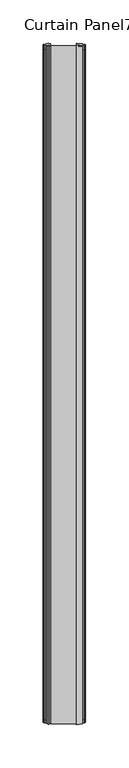
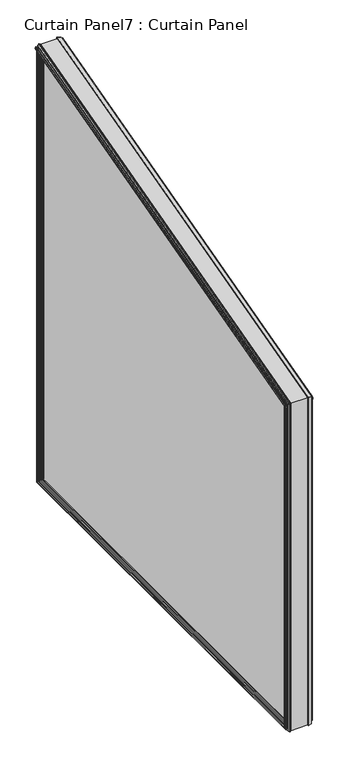
"""IFC4 building model written with IfcOpenShell, lengths in millimetres: plate geometry, Curtain Panel7 : Curtain Panel."""

from ifc_helpers import new_model, si_unit, point, frame, frame_2d, origin, place, context, project, spatial, polyline, circle_curve, ellipse_curve, trimmed, segment, composite_curve, outline, extrude, faceted_brep, source, transform, mapped, element, save
from ifc_brep_helpers import plane_surface, cylinder_surface, advanced_brep


def curtain_panel7_curtain_panel_55db41a2(model_context):
    return source(origin(), model_context, "Body", "SolidModel", [
        faceted_brep([(-5193.7800642, 3507.7643026, 2285.469604), (-5187.0490642, 3506.5718026, 2286.3846415), (-5187.0490642, 3506.5718026, 1683.2050806), (-5193.7800642, 3507.7643026, 1684.3975806), (-5187.0490642, 3495.4466026, 2294.9213077), (-5193.7800642, 3494.2541026, 2295.8363451), (-5193.7800642, 3494.2541026, 1670.8873806), (-5187.0490642, 3495.4466026, 1672.0798806), (-5184.3312642, 3500.2218026, 2291.2571679), (-5187.0490642, 3499.7392026, 2291.6274799), (-5187.0490642, 3499.7392026, 1676.3724806), (-5184.3312642, 3500.2218026, 1676.8550806), (-5184.5852642, 3498.6724026, 2292.4460643), (-5184.5852642, 3498.6724026, 1675.3056806), (-5183.7724642, 3498.6724026, 2292.4460643), (-5183.7724642, 3498.6724026, 1675.3056806), (-5183.3660642, 3501.0092026, 2290.6529746), (-5183.3660642, 3501.0092026, 1677.6424806), (-5183.7724642, 3503.3460026, 2288.8598849), (-5183.7724642, 3503.3460026, 1679.9792806), (-5184.5852642, 3503.3460026, 2288.8598849), (-5184.5852642, 3503.3460026, 1679.9792806), (-5184.3312642, 3501.7966026, 2290.0487813), (-5184.3312642, 3501.7966026, 1678.4298806), (-5187.0490642, 3502.2792026, 2289.6784693), (-5187.0490642, 3502.2792026, 1678.9124806), (-5187.0490642, 4266.8822036, 1683.2050806), (-5193.7800642, 4265.6897036, 1684.3975806), (-5193.7800642, 4279.1999036, 1670.8873806), (-5187.0490642, 4278.0074036, 1672.0798806), (-5187.0490642, 4273.7148036, 1676.3724806), (-5184.3312642, 4273.2322036, 1676.8550806), (-5184.5852642, 4274.7816036, 1675.3056806), (-5183.7724642, 4274.7816036, 1675.3056806), (-5183.3660642, 4272.4448036, 1677.6424806), (-5183.7724642, 4270.1080036, 1679.9792806), (-5184.5852642, 4270.1080036, 1679.9792806), (-5184.3312642, 4271.6574036, 1678.4298806), (-5187.0490642, 4271.1748036, 1678.9124806), (-5187.0490642, 4266.8822036, 2490.1091994), (-5193.7800642, 4265.6897036, 2488.5551032), (-5193.7800642, 4279.1999036, 2506.1619386), (-5187.0490642, 4278.0074036, 2504.6078424), (-5187.0490642, 4273.7148036, 2499.0136171), (-5184.3312642, 4273.2322036, 2498.3846806), (-5184.5852642, 4274.7816036, 2500.4038979), (-5183.7724642, 4274.7816036, 2500.4038979), (-5183.3660642, 4272.4448036, 2497.3585209), (-5183.7724642, 4270.1080036, 2494.3131438), (-5184.5852642, 4270.1080036, 2494.3131438), (-5184.3312642, 4271.6574036, 2496.3323612), (-5187.0490642, 4271.1748036, 2495.7034247)], [[[0, 1, 2, 3]], [[4, 5, 6, 7]], [[8, 9, 10, 11]], [[12, 8, 11, 13]], [[14, 12, 13, 15]], [[16, 14, 15, 17]], [[18, 16, 17, 19]], [[20, 18, 19, 21]], [[22, 20, 21, 23]], [[24, 22, 23, 25]], [[3, 2, 26, 27]], [[7, 6, 28, 29]], [[11, 10, 30, 31]], [[13, 11, 31, 32]], [[15, 13, 32, 33]], [[17, 15, 33, 34]], [[19, 17, 34, 35]], [[21, 19, 35, 36]], [[23, 21, 36, 37]], [[25, 23, 37, 38]], [[27, 26, 39, 40]], [[29, 28, 41, 42]], [[31, 30, 43, 44]], [[32, 31, 44, 45]], [[33, 32, 45, 46]], [[34, 33, 46, 47]], [[35, 34, 47, 48]], [[36, 35, 48, 49]], [[37, 36, 49, 50]], [[38, 37, 50, 51]], [[40, 39, 1, 0]], [[5, 41, 28, 6], [3, 27, 40, 0]], [[42, 41, 5, 4]], [[7, 29, 42, 4], [9, 43, 30, 10]], [[44, 43, 9, 8]], [[45, 44, 8, 12]], [[46, 45, 12, 14]], [[47, 46, 14, 16]], [[48, 47, 16, 18]], [[49, 48, 18, 20]], [[50, 49, 20, 22]], [[51, 50, 22, 24]], [[25, 38, 51, 24], [1, 39, 26, 2]]]),
        advanced_brep(
        [(-5225.6573297, 3505.5054121, 2287.2029117), (-5223.9425642, 3505.1431377, 2287.4808946), (-5223.9425642, 3505.1431377, 1681.7764157), (-5225.6573297, 3505.5054121, 1682.1386901), (-5226.977533, 3505.5450512, 2287.1724955), (-5226.977533, 3505.5450512, 1682.1783293), (-5228.6923642, 3505.1431377, 2287.4808946), (-5228.6923642, 3505.1431377, 1681.7764157), (-5231.4101642, 3501.1553377, 2290.5408412), (-5228.6923642, 3501.6379377, 2290.1705292), (-5228.6923642, 3501.6379377, 1678.2712157), (-5231.4101642, 3501.1553377, 1677.7886157), (-5231.1561642, 3502.7047377, 2289.3519448), (-5231.1561642, 3502.7047377, 1679.3380157), (-5231.9689642, 3502.7047377, 2289.3519448), (-5231.9689642, 3502.7047377, 1679.3380157), (-5232.3753642, 3500.3679377, 2291.1450345), (-5232.3753642, 3500.3679377, 1677.0012157), (-5231.9689642, 3498.0311377, 2292.9381242), (-5231.9689642, 3498.0311377, 1674.6644157), (-5231.1561642, 3498.0311377, 2292.9381242), (-5231.1561642, 3498.0311377, 1674.6644157), (-5231.4101642, 3499.5805377, 2291.7492277), (-5231.4101642, 3499.5805377, 1676.2138157), (-5228.6923642, 3499.0979377, 2292.1195397), (-5228.6923642, 3499.0979377, 1675.7312157), (-5226.977533, 3495.1908241, 2295.1175734), (-5228.6923642, 3495.5927377, 2294.8091743), (-5228.6923642, 3495.5927377, 1672.2260157), (-5226.977533, 3495.1908241, 1671.8241021), (-5225.6573297, 3495.2304633, 2295.0871572), (-5225.6573297, 3495.2304633, 1671.8637413), (-5223.9425642, 3495.5927377, 2294.8091743), (-5223.9425642, 3495.5927377, 1672.2260157), (-5223.9425642, 4268.3108685, 1681.7764157), (-5225.6573297, 4267.9485941, 1682.1386901), (-5226.977533, 4267.908955, 1682.1783293), (-5228.6923642, 4268.3108685, 1681.7764157), (-5228.6923642, 4271.8160685, 1678.2712157), (-5231.4101642, 4272.2986685, 1677.7886157), (-5231.1561642, 4270.7492685, 1679.3380157), (-5231.9689642, 4270.7492685, 1679.3380157), (-5232.3753642, 4273.0860685, 1677.0012157), (-5231.9689642, 4275.4228685, 1674.6644157), (-5231.1561642, 4275.4228685, 1674.6644157), (-5231.4101642, 4273.8734685, 1676.2138157), (-5228.6923642, 4274.3560685, 1675.7312157), (-5228.6923642, 4277.8612685, 1672.2260157), (-5226.977533, 4278.2631821, 1671.8241021), (-5225.6573297, 4278.2235429, 1671.8637413), (-5223.9425642, 4277.8612685, 1672.2260157), (-5223.9425642, 4268.3108685, 2491.9710718), (-5225.6573297, 4267.9485941, 2491.4989466), (-5226.977533, 4267.908955, 2491.4472878), (-5228.6923642, 4268.3108685, 2491.9710718), (-5228.6923642, 4271.8160685, 2496.5391374), (-5231.4101642, 4272.2986685, 2497.1680739), (-5231.1561642, 4270.7492685, 2495.1488566), (-5231.9689642, 4270.7492685, 2495.1488566), (-5232.3753642, 4273.0860685, 2498.1942336), (-5231.9689642, 4275.4228685, 2501.2396107), (-5231.1561642, 4275.4228685, 2501.2396107), (-5231.4101642, 4273.8734685, 2499.2203933), (-5228.6923642, 4274.3560685, 2499.8493298), (-5228.6923642, 4277.8612685, 2504.4173954), (-5226.977533, 4278.2631821, 2504.9411794), (-5225.6573297, 4278.2235429, 2504.8895206), (-5223.9425642, 4277.8612685, 2504.4173954)],
        [
            (0, 1),
            (1, 2),
            (2, 3),
            (3, 0),
            (4, 0, ellipse_curve(frame((-5226.3174642, 3505.5241377, 2287.188543), z_axis=(0.0, -0.6087614290087237, -0.7933533402912328), x_axis=(0.0, -0.7933533402912328, 0.6087614290087237)), 0.832416, 0.6604)),
            (3, 5, ellipse_curve(frame((-5226.3174642, 3505.5241377, 1682.1574157), z_axis=(0.0, -0.7071067811865476, 0.7071067811865474), x_axis=(0.0, 0.7071067811865471, 0.7071067811865478)), 0.9339466, 0.6604)),
            (5, 4),
            (6, 4),
            (5, 7),
            (7, 6),
            (8, 9),
            (9, 10),
            (10, 11),
            (11, 8),
            (12, 8),
            (11, 13),
            (13, 12),
            (14, 12),
            (13, 15),
            (15, 14),
            (16, 14),
            (15, 17),
            (17, 16),
            (18, 16),
            (17, 19),
            (19, 18),
            (20, 18),
            (19, 21),
            (21, 20),
            (22, 20),
            (21, 23),
            (23, 22),
            (24, 22),
            (23, 25),
            (25, 24),
            (26, 27),
            (27, 28),
            (28, 29),
            (29, 26),
            (30, 26, ellipse_curve(frame((-5226.3174642, 3495.2117377, 2295.1015259), z_axis=(0.0, -0.6087614290087237, -0.7933533402912328), x_axis=(0.0, -0.7933533402912328, 0.6087614290087238)), 0.832416, 0.6604)),
            (29, 31, ellipse_curve(frame((-5226.3174642, 3495.2117377, 1671.8450157), z_axis=(0.0, -0.7071067811865476, 0.7071067811865474), x_axis=(0.0, 0.7071067811865472, 0.7071067811865478)), 0.9339466, 0.6604)),
            (31, 30),
            (32, 30),
            (31, 33),
            (33, 32),
            (2, 34),
            (34, 35),
            (35, 3),
            (35, 36, ellipse_curve(frame((-5226.3174642, 4267.9298685, 1682.1574157), z_axis=(0.0, -0.7071067811865474, -0.7071067811865476), x_axis=(0.0, -0.7071067811865478, 0.7071067811865471)), 0.9339466, 0.6604)),
            (36, 5),
            (36, 37),
            (37, 7),
            (10, 38),
            (38, 39),
            (39, 11),
            (39, 40),
            (40, 13),
            (40, 41),
            (41, 15),
            (41, 42),
            (42, 17),
            (42, 43),
            (43, 19),
            (43, 44),
            (44, 21),
            (44, 45),
            (45, 23),
            (45, 46),
            (46, 25),
            (28, 47),
            (47, 48),
            (48, 29),
            (48, 49, ellipse_curve(frame((-5226.3174642, 4278.2422685, 1671.8450157), z_axis=(0.0, -0.7071067811865474, -0.7071067811865476), x_axis=(0.0, -0.7071067811865478, 0.7071067811865472)), 0.9339466, 0.6604)),
            (49, 31),
            (49, 50),
            (50, 33),
            (34, 51),
            (51, 52),
            (52, 35),
            (52, 53, ellipse_curve(frame((-5226.3174642, 4267.9298685, 2491.4745429), z_axis=(0.0, 0.793353340291233, -0.6087614290087234), x_axis=(0.0, -0.6087614290087233, -0.7933533402912331)), 1.0848256, 0.6604)),
            (53, 36),
            (53, 54),
            (54, 37),
            (38, 55),
            (55, 56),
            (56, 39),
            (56, 57),
            (57, 40),
            (57, 58),
            (58, 41),
            (58, 59),
            (59, 42),
            (59, 60),
            (60, 43),
            (60, 61),
            (61, 44),
            (61, 62),
            (62, 45),
            (62, 63),
            (63, 46),
            (47, 64),
            (64, 65),
            (65, 48),
            (65, 66, ellipse_curve(frame((-5226.3174642, 4278.2422685, 2504.9139243), z_axis=(0.0, 0.793353340291233, -0.6087614290087237), x_axis=(0.0, -0.6087614290087237, -0.7933533402912327)), 1.0848256, 0.6604)),
            (66, 49),
            (66, 67),
            (67, 50),
            (51, 1),
            (0, 52),
            (4, 53),
            (6, 54),
            (9, 55),
            (8, 56),
            (12, 57),
            (14, 58),
            (16, 59),
            (18, 60),
            (20, 61),
            (22, 62),
            (24, 63),
            (27, 64),
            (26, 65),
            (30, 66),
            (32, 67),
        ],
        [
            plane_surface(frame((-5223.9425642, 3505.1431377, 2287.4808946), z_axis=(0.20670492848295857, 0.9784033281529939, 0.0), x_axis=(0.0, 0.0, -1.0))),
            cylinder_surface(frame((-5226.3174642, 3505.5241377, 2294.9086623), z_axis=(0.0, 0.0, 1.0000000000000002), x_axis=(0.999597918331525, -0.028354923157754355, 0.0)), 0.6604),
            plane_surface(frame((-5226.977533, 3505.5450512, 2287.1724955), z_axis=(-0.22819132278915794, 0.9736163105678408, 0.0), x_axis=(0.0, 0.0, -1.0))),
            plane_surface(frame((-5228.6923642, 3501.6379377, 2290.1705292), z_axis=(-0.17483511041559138, 0.9845977270773929, 0.0), x_axis=(0.0, 0.0, -1.0))),
            plane_surface(frame((-5231.4101642, 3501.1553377, 2290.5408412), z_axis=(0.9868276651054826, -0.16177502706679275, 0.0), x_axis=(0.0, 0.0, -1.0))),
            plane_surface(frame((-5231.1561642, 3502.7047377, 2289.3519448), z_axis=(0.0, 1.0, 0.0), x_axis=(0.0, 0.0, -1.0))),
            plane_surface(frame((-5231.9689642, 3502.7047377, 2289.3519448), z_axis=(-0.9852117548196891, 0.17134117475116425, 0.0), x_axis=(0.0, 0.0, -1.0))),
            plane_surface(frame((-5232.3753642, 3500.3679377, 2291.1450345), z_axis=(-0.985211754819691, -0.17134117475115318, 0.0), x_axis=(0.0, 0.0, -1.0))),
            plane_surface(frame((-5231.9689642, 3498.0311377, 2292.9381242), z_axis=(0.0, -1.0, 0.0), x_axis=(0.0, 0.0, -1.0))),
            plane_surface(frame((-5231.1561642, 3498.0311377, 2292.9381242), z_axis=(0.9868276651054818, 0.16177502706679808, 0.0), x_axis=(0.0, 0.0, -1.0))),
            plane_surface(frame((-5231.4101642, 3499.5805377, 2291.7492277), z_axis=(-0.17483511041554045, -0.9845977270774018, 0.0), x_axis=(0.0, 0.0, -1.0))),
            plane_surface(frame((-5228.6923642, 3495.5927377, 2294.8091743), z_axis=(-0.22819132278926685, -0.9736163105678154, 0.0), x_axis=(0.0, 0.0, -1.0))),
            cylinder_surface(frame((-5226.3174642, 3495.2117377, 2294.9086623), z_axis=(0.0, 0.0, 1.0000000000000002), x_axis=(-0.9994984420496631, -0.031668033413782444, 0.0)), 0.6604),
            plane_surface(frame((-5225.6573297, 3495.2304633, 2295.0871572), z_axis=(0.2067049284830436, -0.9784033281529759, 0.0), x_axis=(0.0, 0.0, -1.0))),
            plane_surface(frame((-5223.9425642, 3505.1431377, 1681.7764157), z_axis=(0.2067049284829572, 0.0, 0.9784033281529942), x_axis=(0.0, 1.0, 0.0))),
            cylinder_surface(frame((-5226.3174642, 3495.4630824, 1682.1574157), z_axis=(0.0, -1.0000000000000002, 0.0), x_axis=(0.999597918331525, 0.0, -0.02835492315775297)), 0.6604),
            plane_surface(frame((-5226.977533, 3505.5450512, 1682.1783293), z_axis=(-0.22819132278915932, 0.0, 0.9736163105678406), x_axis=(0.0, 1.0, 0.0))),
            plane_surface(frame((-5228.6923642, 3501.6379377, 1678.2712157), z_axis=(-0.17483511041559274, 0.0, 0.9845977270773926), x_axis=(0.0, 1.0, 0.0))),
            plane_surface(frame((-5231.4101642, 3501.1553377, 1677.7886157), z_axis=(0.9868276651054828, 0.0, -0.1617750270667914), x_axis=(0.0, 1.0, 0.0))),
            plane_surface(frame((-5231.1561642, 3502.7047377, 1679.3380157), z_axis=(0.0, 0.0, 1.0), x_axis=(0.0, 1.0, 0.0))),
            plane_surface(frame((-5231.9689642, 3502.7047377, 1679.3380157), z_axis=(-0.9852117548196894, 0.0, 0.1713411747511629), x_axis=(0.0, 1.0, 0.0))),
            plane_surface(frame((-5232.3753642, 3500.3679377, 1677.0012157), z_axis=(-0.9852117548196908, 0.0, -0.17134117475115454), x_axis=(0.0, 1.0, 0.0))),
            plane_surface(frame((-5231.9689642, 3498.0311377, 1674.6644157), z_axis=(0.0, 0.0, -1.0), x_axis=(0.0, 1.0, 0.0))),
            plane_surface(frame((-5231.1561642, 3498.0311377, 1674.6644157), z_axis=(0.9868276651054816, 0.0, 0.16177502706679944), x_axis=(0.0, 1.0, 0.0))),
            plane_surface(frame((-5231.4101642, 3499.5805377, 1676.2138157), z_axis=(-0.17483511041553912, 0.0, -0.9845977270774021), x_axis=(0.0, 1.0, 0.0))),
            plane_surface(frame((-5228.6923642, 3495.5927377, 1672.2260157), z_axis=(-0.2281913227892655, 0.0, -0.9736163105678157), x_axis=(0.0, 1.0, 0.0))),
            cylinder_surface(frame((-5226.3174642, 3495.4630824, 1671.8450157), z_axis=(0.0, -1.0000000000000002, 0.0), x_axis=(-0.9994984420496631, 0.0, -0.031668033413783825)), 0.6604),
            plane_surface(frame((-5225.6573297, 3495.2304633, 1671.8637413), z_axis=(0.20670492848304495, 0.0, -0.9784033281529756), x_axis=(0.0, 1.0, 0.0))),
            plane_surface(frame((-5223.9425642, 4268.3108685, 1681.7764157), z_axis=(0.20670492848295585, -0.9784033281529946, 0.0), x_axis=(0.0, 0.0, 1.0))),
            cylinder_surface(frame((-5226.3174642, 4267.9298685, 1672.0963604), z_axis=(0.0, 0.0, -1.0), x_axis=(0.999597918331525, 0.028354923157751587, 0.0)), 0.6604),
            plane_surface(frame((-5226.977533, 4267.908955, 1682.1783293), z_axis=(-0.22819132278916068, -0.9736163105678403, 0.0), x_axis=(0.0, 0.0, 1.0))),
            plane_surface(frame((-5228.6923642, 4271.8160685, 1678.2712157), z_axis=(-0.1748351104155941, -0.9845977270773923, 0.0), x_axis=(0.0, 0.0, 1.0))),
            plane_surface(frame((-5231.4101642, 4272.2986685, 1677.7886157), z_axis=(0.986827665105483, 0.16177502706679003, 0.0), x_axis=(0.0, 0.0, 1.0))),
            plane_surface(frame((-5231.1561642, 4270.7492685, 1679.3380157), z_axis=(0.0, -1.0, 0.0), x_axis=(0.0, 0.0, 1.0))),
            plane_surface(frame((-5231.9689642, 4270.7492685, 1679.3380157), z_axis=(-0.9852117548196896, -0.17134117475116153, 0.0), x_axis=(0.0, 0.0, 1.0))),
            plane_surface(frame((-5232.3753642, 4273.0860685, 1677.0012157), z_axis=(-0.9852117548196906, 0.1713411747511559, 0.0), x_axis=(0.0, 0.0, 1.0))),
            plane_surface(frame((-5231.9689642, 4275.4228685, 1674.6644157), z_axis=(0.0, 1.0, 0.0), x_axis=(0.0, 0.0, 1.0))),
            plane_surface(frame((-5231.1561642, 4275.4228685, 1674.6644157), z_axis=(0.9868276651054814, -0.1617750270668008, 0.0), x_axis=(0.0, 0.0, 1.0))),
            plane_surface(frame((-5231.4101642, 4273.8734685, 1676.2138157), z_axis=(-0.17483511041553776, 0.9845977270774023, 0.0), x_axis=(0.0, 0.0, 1.0))),
            plane_surface(frame((-5228.6923642, 4277.8612685, 1672.2260157), z_axis=(-0.22819132278926413, 0.9736163105678161, 0.0), x_axis=(0.0, 0.0, 1.0))),
            cylinder_surface(frame((-5226.3174642, 4278.2422685, 1672.0963604), z_axis=(0.0, 0.0, -1.0000000000000002), x_axis=(-0.9994984420496631, 0.031668033413785206, 0.0)), 0.6604),
            plane_surface(frame((-5225.6573297, 4278.2235429, 1671.8637413), z_axis=(0.20670492848304634, 0.9784033281529754, 0.0), x_axis=(0.0, 0.0, 1.0))),
            plane_surface(frame((-5223.9425642, 4268.3108685, 2491.9710718), z_axis=(0.20670492848295755, 0.2532294151176783, -0.9450650431901576), x_axis=(0.0, -0.9659258262890704, -0.25881904510251297))),
            cylinder_surface(frame((-5226.3174642, 4280.5949165, 2494.8681323), z_axis=(0.0, 0.9659258262890704, 0.25881904510251336), x_axis=(0.999597918331525, -0.007338794135645449, 0.02738875258051581)), 0.6604),
            plane_surface(frame((-5226.977533, 4267.908955, 2491.4472878), z_axis=(-0.22819132278915885, 0.2519904437974004, -0.9404411392737575), x_axis=(0.0, -0.9659258262890704, -0.25881904510251286))),
            plane_surface(frame((-5228.6923642, 4268.3108685, 2491.9710718), z_axis=(-1.0, 0.0, 0.0), x_axis=(0.0, -0.9659258262890703, -0.25881904510251325))),
            plane_surface(frame((-5228.6923642, 4271.8160685, 2496.5391374), z_axis=(-0.17483511041559233, 0.25483264353227614, -0.9510483730895708), x_axis=(0.0, -0.9659258262890703, -0.25881904510251347))),
            plane_surface(frame((-5231.4101642, 4272.2986685, 2497.1680739), z_axis=(0.9868276651054828, -0.04187045802686154, 0.15626267669242722), x_axis=(0.0, -0.9659258262890704, -0.2588190451025131))),
            plane_surface(frame((-5231.1561642, 4270.7492685, 2495.1488566), z_axis=(0.0, 0.2588190451025131, -0.9659258262890704), x_axis=(0.0, -0.9659258262890704, -0.2588190451025131))),
            plane_surface(frame((-5231.9689642, 4270.7492685, 2495.1488566), z_axis=(-0.9852117548196893, 0.04434635923584019, -0.16550286579885698), x_axis=(0.0, -0.9659258262890704, -0.2588190451025131))),
            plane_surface(frame((-5232.3753642, 4273.0860685, 2498.1942336), z_axis=(-0.9852117548196909, -0.0443463592358352, 0.16550286579884899), x_axis=(0.0, -0.9659258262890705, -0.2588190451025127))),
            plane_surface(frame((-5231.9689642, 4275.4228685, 2501.2396107), z_axis=(0.0, -0.2588190451025133, 0.9659258262890703), x_axis=(0.0, -0.9659258262890703, -0.2588190451025133))),
            plane_surface(frame((-5231.1561642, 4275.4228685, 2501.2396107), z_axis=(0.9868276651054816, 0.041870458026860916, -0.15626267669243502), x_axis=(0.0, -0.9659258262890703, -0.2588190451025133))),
            plane_surface(frame((-5231.4101642, 4273.8734685, 2499.2203933), z_axis=(-0.17483511041553937, -0.2548326435322781, 0.9510483730895801), x_axis=(0.0, -0.9659258262890702, -0.2588190451025134))),
            plane_surface(frame((-5228.6923642, 4274.3560685, 2499.8493298), z_axis=(-1.0, 0.0, 0.0), x_axis=(0.0, -0.9659258262890704, -0.258819045102513))),
            plane_surface(frame((-5228.6923642, 4277.8612685, 2504.4173954), z_axis=(-0.2281913227892658, -0.2519904437973935, 0.9404411392737337), x_axis=(0.0, -0.9659258262890704, -0.25881904510251297))),
            cylinder_surface(frame((-5226.3174642, 4277.925871, 2504.8291458), z_axis=(0.0, 0.9659258262890703, 0.2588190451025133), x_axis=(-0.999498442049663, -0.008196290168429321, 0.03058897134215883)), 0.6604),
            plane_surface(frame((-5225.6573297, 4278.2235429, 2504.8895206), z_axis=(0.20670492848304456, -0.2532294151176742, 0.9450650431901395), x_axis=(0.0, -0.9659258262890704, -0.2588190451025131))),
            plane_surface(frame((-5223.9425642, 4273.1021839, 2498.2152356), z_axis=(1.0, 0.0, 0.0), x_axis=(0.0, -0.9659258262890703, -0.2588190451025133))),
        ],
        [
            (0, [[1, 2, 3, 4]]),
            (1, [[5, -4, 6, 7]]),
            (2, [[8, -7, 9, 10]]),
            (3, [[11, 12, 13, 14]]),
            (4, [[15, -14, 16, 17]]),
            (5, [[18, -17, 19, 20]]),
            (6, [[21, -20, 22, 23]]),
            (7, [[24, -23, 25, 26]]),
            (8, [[27, -26, 28, 29]]),
            (9, [[30, -29, 31, 32]]),
            (10, [[33, -32, 34, 35]]),
            (11, [[36, 37, 38, 39]]),
            (12, [[40, -39, 41, 42]]),
            (13, [[43, -42, 44, 45]]),
            (14, [[-3, 46, 47, 48]]),
            (15, [[-6, -48, 49, 50]]),
            (16, [[-9, -50, 51, 52]]),
            (17, [[-13, 53, 54, 55]]),
            (18, [[-16, -55, 56, 57]]),
            (19, [[-19, -57, 58, 59]]),
            (20, [[-22, -59, 60, 61]]),
            (21, [[-25, -61, 62, 63]]),
            (22, [[-28, -63, 64, 65]]),
            (23, [[-31, -65, 66, 67]]),
            (24, [[-34, -67, 68, 69]]),
            (25, [[-38, 70, 71, 72]]),
            (26, [[-41, -72, 73, 74]]),
            (27, [[-44, -74, 75, 76]]),
            (28, [[-47, 77, 78, 79]]),
            (29, [[-49, -79, 80, 81]]),
            (30, [[-51, -81, 82, 83]]),
            (31, [[-54, 84, 85, 86]]),
            (32, [[-56, -86, 87, 88]]),
            (33, [[-58, -88, 89, 90]]),
            (34, [[-60, -90, 91, 92]]),
            (35, [[-62, -92, 93, 94]]),
            (36, [[-64, -94, 95, 96]]),
            (37, [[-66, -96, 97, 98]]),
            (38, [[-68, -98, 99, 100]]),
            (39, [[-71, 101, 102, 103]]),
            (40, [[-73, -103, 104, 105]]),
            (41, [[-75, -105, 106, 107]]),
            (42, [[-78, 108, -1, 109]]),
            (43, [[-80, -109, -5, 110]]),
            (44, [[-82, -110, -8, 111]]),
            (45, [[112, -84, -53, -12], [-52, -83, -111, -10]]),
            (46, [[-85, -112, -11, 113]]),
            (47, [[-87, -113, -15, 114]]),
            (48, [[-89, -114, -18, 115]]),
            (49, [[-91, -115, -21, 116]]),
            (50, [[-93, -116, -24, 117]]),
            (51, [[-95, -117, -27, 118]]),
            (52, [[-97, -118, -30, 119]]),
            (53, [[-99, -119, -33, 120]]),
            (54, [[121, -101, -70, -37], [-69, -100, -120, -35]]),
            (55, [[-102, -121, -36, 122]]),
            (56, [[-104, -122, -40, 123]]),
            (57, [[-106, -123, -43, 124]]),
            (58, [[-76, -107, -124, -45], [-108, -77, -46, -2]]),
        ],
    ),
        extrude(outline(composite_curve([segment(polyline([(7.517301, -4.3959927), (7.239, -2.8176695), (8.0518, -2.8176695), (8.4582, -5.1544678), (8.0518, -7.4912662), (7.239, -7.4912662), (7.493, -5.9418672), (4.7752, -6.4244669), (4.7752, -9.9296645), (3.0605327, -10.3255266)]), True, "CONTINUOUS"), segment(trimmed(circle_curve(frame_2d((2.4003, -10.3106642)), 0.6604), [point((3.0605327, -10.3255266))], [point((1.7401655, -10.2919386))], False, "CARTESIAN"), True, "CONTINUOUS"), segment(polyline([(1.7401655, -10.2919386), (0.0254, -9.9296645), (0.0254, -0.3792712), (1.7401655, -0.0169969)]), True, "CONTINUOUS"), segment(trimmed(circle_curve(frame_2d((2.4003, 0.0017286)), 0.6604), [point((1.7401655, -0.0169969))], [point((3.0605327, 0.016591))], False, "CARTESIAN"), True, "CONTINUOUS"), segment(polyline([(3.0605327, 0.016591), (4.7752, -0.3792712), (4.7752, -3.9124863), (7.517301, -4.3959927)]), True, "CONTINUOUS")], self_intersect=False)), frame((-5223.9425642, 3495.4630824, 2294.9086623), z_axis=(0.0, 0.9659258262890704, 0.25881904510251313), x_axis=(-1.0, 0.0, 0.0)), (0.0, 0.0, 1.0), 810.1324347),
        extrude(outline(polyline([(-39.597501, -4.3959927), (-36.8554, -3.9124863), (-36.8554, 0.4335283), (-30.1625, 1.5975117), (-30.1625, -11.8672627), (-36.8554, -10.6788046), (-36.8554, -6.4244669), (-39.5732, -5.9418672), (-39.3192, -7.4912662), (-40.132, -7.4912662), (-40.5384, -5.1544678), (-40.132, -2.8176695), (-39.3192, -2.8176695), (-39.597501, -4.3959927)])), frame((-5223.9425642, 3495.4630824, 2294.9086623), z_axis=(0.0, 0.9659258262890704, 0.25881904510251313), x_axis=(-1.0, 0.0, 0.0)), (0.0, 0.0, 1.0), 810.1324347),
        extrude(outline(polyline([(3495.4630824, 1672.0963604), (3495.4630824, 2294.9086623), (4277.9909238, 2504.5863654), (4277.9909238, 1672.0963604), (3495.4630824, 1672.0963604)])), frame((-5223.9425642, 0.0, 0.0), z_axis=(1.0, 0.0, 0.0), x_axis=(0.0, 1.0, 0.0)), (0.0, 0.0, 1.0), 30.1625),
    ])


if __name__ == "__main__":
    model = new_model("IFC4")
    model_context = context("Model", 3, world=origin())
    ifc_project = project(units=[si_unit("LENGTHUNIT", "METRE", prefix="MILLI")], contexts=[model_context])
    site = spatial("IfcSite", under=ifc_project)
    building = spatial("IfcBuilding", under=site)
    placement = place(None, origin())
    curtain_panel7_curtain_panel_shape = curtain_panel7_curtain_panel_55db41a2(model_context)
    element("IfcPlate", 1, ObjectType="Curtain Panel7 : Curtain Panel", at=placement, inside=building, context=model_context, shape_type="MappedRepresentation", body=[
        mapped(curtain_panel7_curtain_panel_shape, transform((0.0, 0.0, 0.0), x_axis=(1.0, 0.0, 0.0), y_axis=(0.0, 1.0, 0.0), z_axis=(0.0, 0.0, 1.0))),
    ])
    save(model, "model.ifc")
